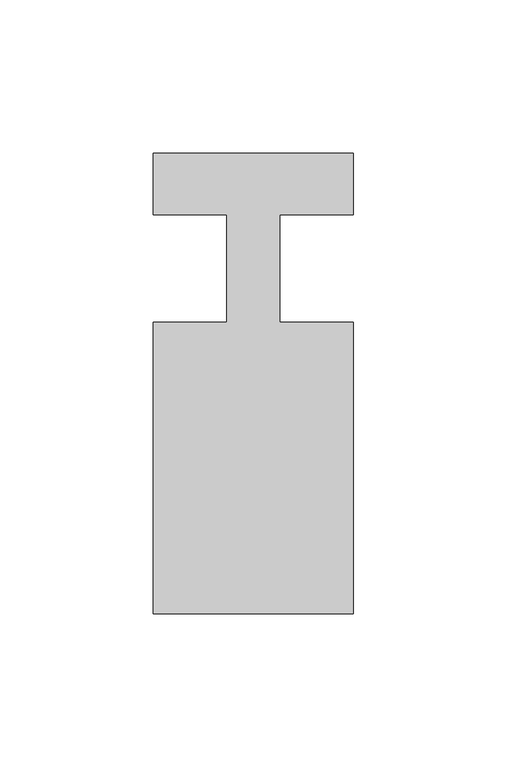
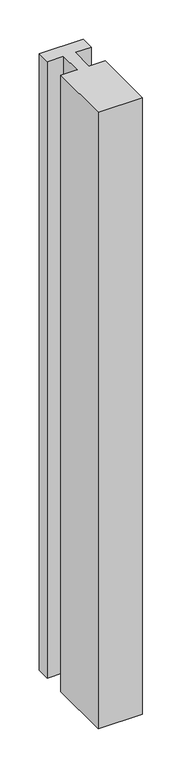
"""IFC4 building model written with IfcOpenShell, lengths in millimetres: member geometry."""

from ifc_helpers import new_model, si_unit, frame, origin, place, context, project, spatial, polyline, outline, extrude, source, transform, mapped, element, save


def member_286df669(model_context):
    return source(origin(), model_context, "Body", "SweptSolid", [
        extrude(outline(polyline([(-32.5, 37.0), (32.5, 37.0), (32.5, 17.0), (8.6875, 17.0), (8.6875, -18.0), (32.5, -18.0), (32.5, -113.0), (-32.5, -113.0), (-32.5, -18.0), (-8.6875, -18.0), (-8.6875, 17.0), (-32.5, 17.0), (-32.5, 37.0)])), frame((0.0, 0.0, -958.8125), z_axis=(0.0, 0.0, 1.0), x_axis=(1.0, 0.0, 0.0)), (0.0, 0.0, 1.0), 958.8125),
    ])


if __name__ == "__main__":
    model = new_model("IFC4")
    model_context = context("Model", 3, world=origin())
    ifc_project = project(units=[si_unit("LENGTHUNIT", "METRE", prefix="MILLI")], contexts=[model_context])
    site = spatial("IfcSite", under=ifc_project)
    building = spatial("IfcBuilding", under=site)
    placement = place(None, origin())
    member_shape = member_286df669(model_context)
    element("IfcMember", 1, at=placement, inside=building, context=model_context, shape_type="MappedRepresentation", body=[
        mapped(member_shape, transform((0.0, 0.0, 0.0), x_axis=(1.0, 0.0, 0.0), y_axis=(0.0, 1.0, 0.0), z_axis=(0.0, 0.0, 1.0))),
    ])
    save(model, "model.ifc")
